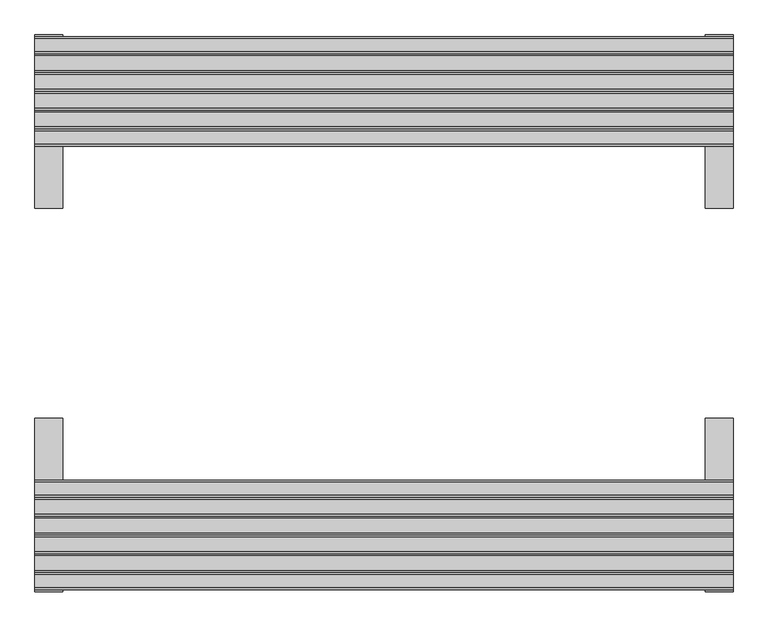
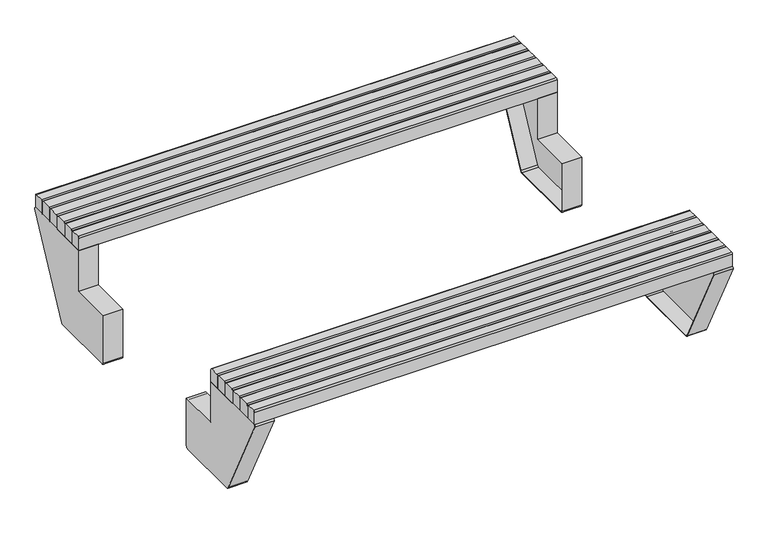
"""IFC4 building model written with IfcOpenShell, lengths in millimetres: furniture geometry."""

import ifcopenshell
import ifcopenshell.guid

model = None  # the IFC model being written
_history = None  # IfcOwnerHistory: only IFC2X3 demands one
_inside = {}  # id of a spatial element -> (the spatial element, [elements in it])
_under = {}  # id of a project, library or spatial element -> (it, [spatial elements below it])
_declared = {}  # id of a project -> (the project, [libraries it declares])
_typed = {}  # id of a type object -> (the type object, [elements of that type])
_made_of = {}  # id of a material, layer set ... -> (it, [elements and type objects made of it])


def new_model(schema):
    """Start an empty IFC model of exactly this schema.

    Asked for "IFC4X3", IfcOpenShell would pick the latest addendum, in which some entities
    have other attributes; the version numbers below select the first issue.
    IFC2X3 requires an IfcOwnerHistory on every rooted entity: one is made here for all.
    """
    global model, _history
    if schema == "IFC4X3":
        model = ifcopenshell.file(schema_version=(4, 3, 0, 0))
    else:
        model = ifcopenshell.file(schema=schema)
    _inside.clear()
    _under.clear()
    _declared.clear()
    _typed.clear()
    _made_of.clear()
    _history = None
    if model.schema == "IFC2X3":
        org = make("IfcOrganization", Name="unknown")
        user = make(
            "IfcPersonAndOrganization",
            ThePerson=make("IfcPerson", FamilyName="unknown"),
            TheOrganization=org,
        )
        app = make(
            "IfcApplication",
            ApplicationDeveloper=org,
            Version="unknown",
            ApplicationFullName="unknown",
            ApplicationIdentifier="unknown",
        )
        _history = make(
            "IfcOwnerHistory",
            OwningUser=user,
            OwningApplication=app,
            ChangeAction="ADDED",
            CreationDate=0,
        )
    return model


def make(cls, **values):
    """One entity of the class cls with the attributes given. An attribute that is None is left unset."""
    return model.create_entity(
        cls, **{name: value for name, value in values.items() if value is not None}
    )


def rooted(cls, **values):
    """An entity with a GlobalId (a new one), such as an element, a storey or a relation."""
    return make(cls, GlobalId=ifcopenshell.guid.new(), OwnerHistory=_history, **values)


def si_unit(unit_type, name, prefix=None):
    """IfcSIUnit, for example si_unit("LENGTHUNIT", "METRE", prefix="MILLI")."""
    return make("IfcSIUnit", UnitType=unit_type, Prefix=prefix, Name=name)


def assignment(units):
    """IfcUnitAssignment: the units of a project."""
    return None if units is None else make("IfcUnitAssignment", Units=units)


def point(xyz):
    """IfcCartesianPoint."""
    return None if xyz is None else make("IfcCartesianPoint", Coordinates=xyz)


def direction(xyz):
    """IfcDirection."""
    return None if xyz is None else make("IfcDirection", DirectionRatios=xyz)


def frame(location, z_axis=None, x_axis=None):
    """IfcAxis2Placement3D, a coordinate frame: its origin and axes. An axis left out is left unset."""
    return make(
        "IfcAxis2Placement3D",
        Location=point(location),
        Axis=direction(z_axis),
        RefDirection=direction(x_axis),
    )


def frame_2d(location, x_axis=None):
    """IfcAxis2Placement2D, a coordinate frame in the plane: its origin and x axis."""
    return make(
        "IfcAxis2Placement2D", Location=point(location), RefDirection=direction(x_axis)
    )


def origin():
    """The frame at (0, 0, 0) with its axes left unset."""
    return frame((0.0, 0.0, 0.0))


def place(relative_to, where):
    """IfcLocalPlacement: puts the frame where relative to a parent placement (None: the world)."""
    return make(
        "IfcLocalPlacement", PlacementRelTo=relative_to, RelativePlacement=where
    )


def context(
    kind, dimensions, precision=None, world=None, true_north=None, identifier=None
):
    """IfcGeometricRepresentationContext, for example the 3D "Model" context."""
    return make(
        "IfcGeometricRepresentationContext",
        ContextIdentifier=identifier,
        ContextType=kind,
        CoordinateSpaceDimension=dimensions,
        Precision=precision,
        WorldCoordinateSystem=world,
        TrueNorth=true_north,
    )


def project(units=None, contexts=None):
    """IfcProject with its units and contexts."""
    return rooted(
        "IfcProject",
        Name="project",
        RepresentationContexts=contexts,
        UnitsInContext=assignment(units),
    )


def spatial(cls, under=None, at=None, **own):
    """A site, building, storey or space (cls), placed at a placement, below another one or the project."""
    s = rooted(cls, ObjectPlacement=at, **own)
    if under is not None:
        _under.setdefault(under.id(), (under, []))[1].append(s)
    return s


def polyline(points):
    """IfcPolyline through the points."""
    return make("IfcPolyline", Points=[point(p) for p in points])


def circle_curve(where, radius):
    """IfcCircle in the frame where."""
    return make("IfcCircle", Position=where, Radius=radius)


def trimmed(basis, trim1, trim2, sense, master):
    """IfcTrimmedCurve: the piece of a basis curve between two trims."""
    return make(
        "IfcTrimmedCurve",
        BasisCurve=basis,
        Trim1=trim1,
        Trim2=trim2,
        SenseAgreement=sense,
        MasterRepresentation=master,
    )


def segment(curve, same_sense, transition):
    """IfcCompositeCurveSegment."""
    return make(
        "IfcCompositeCurveSegment",
        Transition=transition,
        SameSense=same_sense,
        ParentCurve=curve,
    )


def composite_curve(segments, self_intersect=None):
    """IfcCompositeCurve: segments joined end to end."""
    return make("IfcCompositeCurve", Segments=segments, SelfIntersect=self_intersect)


def outline(outer, holes=None, kind="AREA"):
    """IfcArbitraryClosedProfileDef: a profile drawn as a closed curve; with holes, ...WithVoids."""
    if holes is None:
        return make("IfcArbitraryClosedProfileDef", ProfileType=kind, OuterCurve=outer)
    return make(
        "IfcArbitraryProfileDefWithVoids",
        ProfileType=kind,
        OuterCurve=outer,
        InnerCurves=holes,
    )


def extrude(swept, where, along, depth):
    """IfcExtrudedAreaSolid: the profile swept, set in the frame where, extruded along a direction by depth."""
    return make(
        "IfcExtrudedAreaSolid",
        SweptArea=swept,
        Position=where,
        ExtrudedDirection=direction(along),
        Depth=depth,
    )


def shape(context_of_items, identifier, shape_type, items):
    """IfcShapeRepresentation: the items that make up one representation, for example the "Body"."""
    return make(
        "IfcShapeRepresentation",
        ContextOfItems=context_of_items,
        RepresentationIdentifier=identifier,
        RepresentationType=shape_type,
        Items=items,
    )


def source(mapping_origin, context_of_items, identifier, shape_type, items):
    """IfcRepresentationMap: a shape defined once, which mapped items show again and again."""
    return make(
        "IfcRepresentationMap",
        MappingOrigin=mapping_origin,
        MappedRepresentation=shape(context_of_items, identifier, shape_type, items),
    )


def transform(
    local_origin,
    x_axis=None,
    y_axis=None,
    z_axis=None,
    scale=None,
    scale2=None,
    scale3=None,
    uniform=True,
):
    """IfcCartesianTransformationOperator3D, or its non-uniform kind. x_axis, y_axis, z_axis: its Axis1, 2, 3."""
    if uniform:
        return make(
            "IfcCartesianTransformationOperator3D",
            Axis1=direction(x_axis),
            Axis2=direction(y_axis),
            LocalOrigin=point(local_origin),
            Scale=scale,
            Axis3=direction(z_axis),
        )
    return make(
        "IfcCartesianTransformationOperator3DnonUniform",
        Axis1=direction(x_axis),
        Axis2=direction(y_axis),
        LocalOrigin=point(local_origin),
        Scale=scale,
        Axis3=direction(z_axis),
        Scale2=scale2,
        Scale3=scale3,
    )


def mapped(mapping_source, mapping_target):
    """IfcMappedItem: shows the shape of a source again, moved by a transform."""
    return make(
        "IfcMappedItem", MappingSource=mapping_source, MappingTarget=mapping_target
    )


def made_of(thing, what):
    """Note that an element or type object is made of a material, layer set ...; save() writes the relation."""
    if what is not None:
        _made_of.setdefault(what.id(), (what, []))[1].append(thing)
    return thing


def element(
    cls,
    number,
    at=None,
    inside=None,
    cuts=None,
    type_object=None,
    material=None,
    context=None,
    identifier="Body",
    shape_type=None,
    held_by="IfcProductDefinitionShape",
    body=None,
    shapes=None,
    **own,
):
    """One element of the class cls, such as IfcWall. Its Tag is "e" and its number.

    at: its placement. inside: the storey or other place that contains it. cuts: it is an
    opening in that element (IfcRelVoidsElement). A single representation is given by context,
    identifier, shape_type and body (its items); several are given by shapes. held_by: the class
    of the entity that holds the representations. save() writes the other relations.
    """
    e = rooted(cls, Tag="e%d" % number, ObjectPlacement=at, **own)
    if body is not None:
        shapes = [shape(context, identifier, shape_type, body)]
    if shapes is not None:
        e.Representation = make(held_by, Representations=shapes)
    if inside is not None:
        _inside.setdefault(inside.id(), (inside, []))[1].append(e)
    if cuts is not None:
        rooted(
            "IfcRelVoidsElement", RelatingBuildingElement=cuts, RelatedOpeningElement=e
        )
    if type_object is not None:
        _typed.setdefault(type_object.id(), (type_object, []))[1].append(e)
    return made_of(e, material)


def aggregate(whole, parts):
    """IfcRelAggregates: a whole, such as a stair, and the parts it consists of."""
    return rooted("IfcRelAggregates", RelatingObject=whole, RelatedObjects=parts)


def save(model, path):
    """Write the relations noted so far, then the file.

    IfcRelAggregates (storeys below a building ...), IfcRelContainedInSpatialStructure (elements
    in a storey), IfcRelDefinesByType, IfcRelAssociatesMaterial and IfcRelDeclares: one each for
    every whole, place, type object, material and project.
    """
    for whole, parts in _under.values():
        aggregate(whole, parts)
    for where, things in _inside.values():
        rooted(
            "IfcRelContainedInSpatialStructure",
            RelatedElements=things,
            RelatingStructure=where,
        )
    for kind, things in _typed.values():
        rooted("IfcRelDefinesByType", RelatedObjects=things, RelatingType=kind)
    for what, things in _made_of.values():
        rooted("IfcRelAssociatesMaterial", RelatedObjects=things, RelatingMaterial=what)
    for by, libraries in _declared.values():
        rooted("IfcRelDeclares", RelatingContext=by, RelatedDefinitions=libraries)
    model.write(path)


def plane_surface(at):
    """IfcPlane: the flat surface through the origin of the frame at, square to its z axis."""
    return make("IfcPlane", Position=at)


def cylinder_surface(at, radius):
    """IfcCylindricalSurface: all points at the distance radius from the z axis of the frame at."""
    return make("IfcCylindricalSurface", Position=at, Radius=radius)


def revolved_surface(curve, axis_point, axis_direction):
    """IfcSurfaceOfRevolution: the curve turned about the line through axis_point along axis_direction."""
    return make(
        "IfcSurfaceOfRevolution",
        SweptCurve=make("IfcArbitraryOpenProfileDef", ProfileType="CURVE", Curve=curve),
        AxisPosition=make("IfcAxis1Placement", Location=point(axis_point), Axis=direction(axis_direction)),
    )


def advanced_brep(points, edges, surfaces, faces):
    """IfcAdvancedBrep: a solid bounded by faces that lie on surfaces and meet in shared edges.

    An edge is (start, end): straight between two places in points (the first is 0);
    or (start, end, curve); or (start, end, curve, False) where it runs against its curve.
    A face is (place in surfaces, loops), or (place, loops, False) where it looks against
    its surface's normal. A loop lists edges by number (the first is 1), with a minus sign
    where the edge is run from its end to its start. The first loop is the outer one.
    """
    corners = [point(p) for p in points]
    vertices = [make("IfcVertexPoint", VertexGeometry=c) for c in corners]
    made = []
    for start, end, *more in edges:
        made.append(
            make(
                "IfcEdgeCurve",
                EdgeStart=vertices[start],
                EdgeEnd=vertices[end],
                EdgeGeometry=more[0] if more else make("IfcPolyline", Points=[corners[start], corners[end]]),
                SameSense=more[1] if len(more) > 1 else True,
            )
        )
    hull = []
    for where, loops, *sense in faces:
        bounds = []
        for j, loop in enumerate(loops):
            ring = [make("IfcOrientedEdge", EdgeElement=made[abs(k) - 1], Orientation=k > 0) for k in loop]
            bounds.append(
                make(
                    "IfcFaceOuterBound" if j == 0 else "IfcFaceBound",
                    Bound=make("IfcEdgeLoop", EdgeList=ring),
                    Orientation=True,
                )
            )
        hull.append(make("IfcAdvancedFace", Bounds=bounds, FaceSurface=surfaces[where], SameSense=sense[0] if sense else True))
    return make("IfcAdvancedBrep", Outer=make("IfcClosedShell", CfsFaces=hull))


def furniture_3364fe05(model_context):
    return source(origin(), model_context, "Body", "SolidModel", [
        advanced_brep(
        [(-920.0000032, 478.4999944, 219.999998), (-920.0000032, 300.4999945, 219.999998), (-920.0000032, 300.4999945, 10.0), (-920.0000032, 310.4999945, 0.0), (-920.0000032, 593.821619, 0.0), (-920.0000032, 602.761278, 5.5186501), (-920.0000032, 796.8806496, 392.7593281), (-920.0000032, 792.4108201, 400.0000031), (-920.0000032, 478.4999944, 400.0000031), (-920.0000032, 481.9999988, 216.9999995), (-920.0000032, 481.9999988, 387.0000045), (-920.0000032, 491.9999988, 397.0000045), (-920.0000032, 787.2536405, 397.0000045), (-920.0000032, 791.72347, 389.7593295), (-920.0000032, 600.6118298, 8.5186501), (-920.0000032, 591.6721708, 3.0), (-920.0000032, 313.4999931, 3.0), (-920.0000032, 303.4999931, 13.0), (-920.0000032, 303.4999931, 206.9999995), (-920.0000032, 313.4999931, 216.9999995), (-1000.0000075, 478.4999944, 219.999998), (-1000.0000075, 478.4999944, 400.0000031), (-1000.0000075, 792.4108201, 400.0000031), (-1000.0000075, 796.8806496, 392.7593281), (-1000.0000075, 602.761278, 5.5186501), (-1000.0000075, 593.821619, 0.0), (-1000.0000075, 310.4999945, 0.0), (-1000.0000075, 300.4999945, 10.0), (-1000.0000075, 300.4999945, 219.999998), (-989.0000078, 481.9999988, 216.9999995), (-989.0000078, 313.4999931, 216.9999995), (-989.0000078, 303.4999931, 206.9999995), (-989.0000078, 303.4999931, 13.0), (-989.0000078, 313.4999931, 3.0), (-989.0000078, 591.6721708, 3.0), (-989.0000078, 600.6118298, 8.5186501), (-989.0000078, 791.72347, 389.7593295), (-989.0000078, 787.2536405, 397.0000045), (-989.0000078, 491.9999988, 397.0000045), (-989.0000078, 481.9999988, 387.0000045)],
        [
            (0, 1),
            (1, 2),
            (2, 3, circle_curve(frame((-920.0000032, 310.4999945, 10.0), z_axis=(1.0, 0.0, 0.0), x_axis=(0.0, 1.0, 0.0)), 10.0)),
            (3, 4),
            (4, 5, circle_curve(frame((-920.0000032, 593.821619, 10.0), z_axis=(1.0, 0.0, 0.0), x_axis=(0.0, 1.0, 0.0)), 10.0)),
            (5, 6),
            (6, 7, circle_curve(frame((-920.0000032, 792.4108201, 395.0000031), z_axis=(1.0, 0.0, 0.0), x_axis=(0.0, 1.0, 0.0)), 5.0)),
            (7, 8),
            (8, 0),
            (9, 10),
            (10, 11, circle_curve(frame((-920.0000032, 491.9999988, 387.0000045), z_axis=(-1.0, 0.0, 0.0), x_axis=(0.0, 1.0, 0.0)), 10.0)),
            (11, 12),
            (12, 13, circle_curve(frame((-920.0000032, 787.2536405, 392.0000045), z_axis=(-1.0, 0.0, 0.0), x_axis=(0.0, 1.0, 0.0)), 5.0)),
            (13, 14),
            (14, 15, circle_curve(frame((-920.0000032, 591.6721708, 13.0), z_axis=(-1.0, 0.0, 0.0), x_axis=(0.0, 1.0, 0.0)), 10.0)),
            (15, 16),
            (16, 17, circle_curve(frame((-920.0000032, 313.4999931, 13.0), z_axis=(-1.0, 0.0, 0.0), x_axis=(0.0, 1.0, 0.0)), 10.0)),
            (17, 18),
            (18, 19, circle_curve(frame((-920.0000032, 313.4999931, 206.9999995), z_axis=(-1.0, 0.0, 0.0), x_axis=(0.0, 1.0, 0.0)), 10.0)),
            (19, 9),
            (20, 21),
            (21, 22),
            (22, 23, circle_curve(frame((-1000.0000075, 792.4108201, 395.0000031), z_axis=(-1.0, 0.0, 0.0), x_axis=(0.0, 1.0, 0.0)), 5.0)),
            (23, 24),
            (24, 25, circle_curve(frame((-1000.0000075, 593.821619, 10.0), z_axis=(-1.0, 0.0, 0.0), x_axis=(0.0, 1.0, 0.0)), 10.0)),
            (25, 26),
            (26, 27, circle_curve(frame((-1000.0000075, 310.4999945, 10.0), z_axis=(-1.0, 0.0, 0.0), x_axis=(0.0, 1.0, 0.0)), 10.0)),
            (27, 28),
            (28, 20),
            (8, 21),
            (20, 0),
            (7, 22),
            (5, 24),
            (23, 6),
            (3, 26),
            (25, 4),
            (1, 28),
            (27, 2),
            (29, 30),
            (30, 31, circle_curve(frame((-989.0000078, 313.4999931, 206.9999995), z_axis=(1.0, 0.0, 0.0), x_axis=(0.0, 1.0, 0.0)), 10.0)),
            (31, 32),
            (32, 33, circle_curve(frame((-989.0000078, 313.4999931, 13.0), z_axis=(1.0, 0.0, 0.0), x_axis=(0.0, 1.0, 0.0)), 10.0)),
            (33, 34),
            (34, 35, circle_curve(frame((-989.0000078, 591.6721708, 13.0), z_axis=(1.0, 0.0, 0.0), x_axis=(0.0, 1.0, 0.0)), 10.0)),
            (35, 36),
            (36, 37, circle_curve(frame((-989.0000078, 787.2536405, 392.0000045), z_axis=(1.0, 0.0, 0.0), x_axis=(0.0, 1.0, 0.0)), 5.0)),
            (37, 38),
            (38, 39, circle_curve(frame((-989.0000078, 491.9999988, 387.0000045), z_axis=(1.0, 0.0, 0.0), x_axis=(0.0, 1.0, 0.0)), 10.0)),
            (39, 29),
            (39, 10),
            (9, 29),
            (37, 12),
            (11, 38),
            (35, 14),
            (13, 36),
            (33, 16),
            (15, 34),
            (31, 18),
            (17, 32),
            (19, 30),
        ],
        [
            plane_surface(frame((-920.0000032, 479.0000002, 219.999998), z_axis=(1.0, 0.0, 0.0), x_axis=(0.0, -1.0, 0.0))),
            plane_surface(frame((-1000.0000075, 479.0000002, 219.999998), z_axis=(-1.0, 0.0, 0.0), x_axis=(0.0, 1.0, 0.0))),
            plane_surface(frame((-920.0000032, 478.4999944, 400.0000031), z_axis=(0.0, -1.0, 0.0), x_axis=(-1.0, 0.0, 0.0))),
            plane_surface(frame((-920.0000032, 792.4108201, 400.0000031), z_axis=(0.0, 0.0, 1.0), x_axis=(-1.0, 0.0, 0.0))),
            plane_surface(frame((-920.0000032, 602.761278, 5.5186501), z_axis=(0.0, 0.8939658987782385, -0.4481349928555192), x_axis=(-1.0, 0.0, 0.0))),
            plane_surface(frame((-920.0000032, 310.4999945, 0.0), z_axis=(0.0, 0.0, -1.0), x_axis=(-1.0, 0.0, 0.0))),
            plane_surface(frame((-920.0000032, 300.4999945, 219.999998), z_axis=(0.0, -1.0, 0.0), x_axis=(-1.0, 0.0, 0.0))),
            plane_surface(frame((-920.0000032, 478.4999944, 219.999998), z_axis=(0.0, 0.0, 1.0), x_axis=(-1.0, 0.0, 0.0))),
            cylinder_surface(frame((-1000.0000075, 593.821619, 10.0), z_axis=(1.0, 0.0, 0.0), x_axis=(0.0, 1.0, 0.0)), 10.0),
            cylinder_surface(frame((-1000.0000075, 310.4999945, 10.0), z_axis=(1.0, 0.0, 0.0), x_axis=(0.0, 1.0, 0.0)), 10.0),
            cylinder_surface(frame((-1000.0000075, 792.4108201, 395.0000031), z_axis=(1.0, 0.0, 0.0), x_axis=(0.0, 1.0, 0.0)), 5.0),
            plane_surface(frame((-989.0000078, 479.0000002, 216.9999995), z_axis=(1.0, 0.0, 0.0), x_axis=(0.0, 1.0, 0.0))),
            plane_surface(frame((-870.549899, 481.9999988, 387.0000045), z_axis=(0.0, 1.0, 0.0), x_axis=(-1.0, 0.0, 0.0))),
            plane_surface(frame((-870.549899, 787.2536405, 397.0000045), z_axis=(0.0, 0.0, -1.0), x_axis=(-1.0, 0.0, 0.0))),
            plane_surface(frame((-870.549899, 600.6118298, 8.5186501), z_axis=(0.0, -0.8939658987782386, 0.4481349928555192), x_axis=(-1.0, 0.0, 0.0))),
            plane_surface(frame((-870.549899, 313.4999931, 3.0), z_axis=(0.0, 0.0, 1.0), x_axis=(-1.0, 0.0, 0.0))),
            plane_surface(frame((-870.549899, 303.4999931, 206.9999995), z_axis=(0.0, 1.0, 0.0), x_axis=(-1.0, 0.0, 0.0))),
            plane_surface(frame((-870.549899, 481.9999988, 216.9999995), z_axis=(0.0, 0.0, -1.0), x_axis=(-1.0, 0.0, 0.0))),
            revolved_surface(polyline([(-920.0000032, 601.6721708, 13.0), (-989.0000078, 601.6721708, 13.0)]), (-989.0000078, 591.6721708, 13.0), (1.0, 0.0, 0.0)),
            revolved_surface(polyline([(-920.0000032, 323.4999931, 13.0), (-989.0000078, 323.4999931, 13.0)]), (-989.0000078, 313.4999931, 13.0), (1.0, 0.0, 0.0)),
            revolved_surface(polyline([(-920.0000032, 792.2536405, 392.0000045), (-989.0000078, 792.2536405, 392.0000045)]), (-989.0000078, 787.2536405, 392.0000045), (1.0, 0.0, 0.0)),
            revolved_surface(polyline([(-920.0000032, 323.4999931, 206.9999995), (-989.0000078, 323.4999931, 206.9999995)]), (-989.0000078, 313.4999931, 206.9999995), (1.0, 0.0, 0.0)),
            revolved_surface(polyline([(-920.0000032, 501.9999988, 387.0000045), (-989.0000078, 501.9999988, 387.0000045)]), (-989.0000078, 491.9999988, 387.0000045), (1.0, 0.0, 0.0)),
        ],
        [
            (0, [[1, 2, 3, 4, 5, 6, 7, 8, 9], [10, 11, 12, 13, 14, 15, 16, 17, 18, 19, 20]]),
            (1, [[21, 22, 23, 24, 25, 26, 27, 28, 29]]),
            (2, [[-9, 30, -21, 31]]),
            (3, [[-8, 32, -22, -30]]),
            (4, [[-6, 33, -24, 34]]),
            (5, [[-4, 35, -26, 36]]),
            (6, [[-2, 37, -28, 38]]),
            (7, [[-1, -31, -29, -37]]),
            (8, [[-5, -36, -25, -33]]),
            (9, [[-3, -38, -27, -35]]),
            (10, [[-7, -34, -23, -32]]),
            (11, [[39, 40, 41, 42, 43, 44, 45, 46, 47, 48, 49]]),
            (12, [[-49, 50, -10, 51]]),
            (13, [[-47, 52, -12, 53]]),
            (14, [[-45, 54, -14, 55]]),
            (15, [[-43, 56, -16, 57]]),
            (16, [[-41, 58, -18, 59]]),
            (17, [[-39, -51, -20, 60]]),
            (18, [[-44, -57, -15, -54]]),
            (19, [[-42, -59, -17, -56]]),
            (20, [[-46, -55, -13, -52]]),
            (21, [[-40, -60, -19, -58]]),
            (22, [[-48, -53, -11, -50]]),
        ],
    ),
        advanced_brep(
        [(920.0000032, 478.4999944, 219.999998), (920.0000032, 478.4999944, 400.0000031), (920.0000032, 792.4108201, 400.0000031), (920.0000032, 796.8806496, 392.7593281), (920.0000032, 602.761278, 5.5186501), (920.0000032, 593.821619, 0.0), (920.0000032, 310.4999945, 0.0), (920.0000032, 300.4999945, 10.0), (920.0000032, 300.4999945, 219.999998), (920.0000032, 481.9999988, 387.0000045), (920.0000032, 481.9999988, 216.9999995), (920.0000032, 313.4999931, 216.9999995), (920.0000032, 303.4999931, 206.9999995), (920.0000032, 303.4999931, 13.0), (920.0000032, 313.4999931, 3.0), (920.0000032, 591.6721708, 3.0), (920.0000032, 600.6118298, 8.5186501), (920.0000032, 791.72347, 389.7593295), (920.0000032, 787.2536405, 397.0000045), (920.0000032, 491.9999988, 397.0000045), (1000.0000075, 478.4999944, 219.999998), (1000.0000075, 300.4999945, 219.999998), (1000.0000075, 300.4999945, 10.0), (1000.0000075, 310.4999945, 0.0), (1000.0000075, 593.821619, 0.0), (1000.0000075, 602.761278, 5.5186501), (1000.0000075, 796.8806496, 392.7593281), (1000.0000075, 792.4108201, 400.0000031), (1000.0000075, 478.4999944, 400.0000031), (989.0000078, 481.9999988, 216.9999995), (989.0000078, 481.9999988, 387.0000045), (989.0000078, 491.9999988, 397.0000045), (989.0000078, 787.2536405, 397.0000045), (989.0000078, 791.72347, 389.7593295), (989.0000078, 600.6118298, 8.5186501), (989.0000078, 591.6721708, 3.0), (989.0000078, 313.4999931, 3.0), (989.0000078, 303.4999931, 13.0), (989.0000078, 303.4999931, 206.9999995), (989.0000078, 313.4999931, 216.9999995)],
        [
            (0, 1),
            (1, 2),
            (2, 3, circle_curve(frame((920.0000032, 792.4108201, 395.0000031), z_axis=(-1.0, 0.0, 0.0), x_axis=(0.0, 1.0, 0.0)), 5.0)),
            (3, 4),
            (4, 5, circle_curve(frame((920.0000032, 593.821619, 10.0), z_axis=(-1.0, 0.0, 0.0), x_axis=(0.0, 1.0, 0.0)), 10.0)),
            (5, 6),
            (6, 7, circle_curve(frame((920.0000032, 310.4999945, 10.0), z_axis=(-1.0, 0.0, 0.0), x_axis=(0.0, 1.0, 0.0)), 10.0)),
            (7, 8),
            (8, 0),
            (9, 10),
            (10, 11),
            (11, 12, circle_curve(frame((920.0000032, 313.4999931, 206.9999995), z_axis=(1.0, 0.0, 0.0), x_axis=(0.0, 1.0, 0.0)), 10.0)),
            (12, 13),
            (13, 14, circle_curve(frame((920.0000032, 313.4999931, 13.0), z_axis=(1.0, 0.0, 0.0), x_axis=(0.0, 1.0, 0.0)), 10.0)),
            (14, 15),
            (15, 16, circle_curve(frame((920.0000032, 591.6721708, 13.0), z_axis=(1.0, 0.0, 0.0), x_axis=(0.0, 1.0, 0.0)), 10.0)),
            (16, 17),
            (17, 18, circle_curve(frame((920.0000032, 787.2536405, 392.0000045), z_axis=(1.0, 0.0, 0.0), x_axis=(0.0, 1.0, 0.0)), 5.0)),
            (18, 19),
            (19, 9, circle_curve(frame((920.0000032, 491.9999988, 387.0000045), z_axis=(1.0, 0.0, 0.0), x_axis=(0.0, 1.0, 0.0)), 10.0)),
            (20, 21),
            (21, 22),
            (22, 23, circle_curve(frame((1000.0000075, 310.4999945, 10.0), z_axis=(1.0, 0.0, 0.0), x_axis=(0.0, 1.0, 0.0)), 10.0)),
            (23, 24),
            (24, 25, circle_curve(frame((1000.0000075, 593.821619, 10.0), z_axis=(1.0, 0.0, 0.0), x_axis=(0.0, 1.0, 0.0)), 10.0)),
            (25, 26),
            (26, 27, circle_curve(frame((1000.0000075, 792.4108201, 395.0000031), z_axis=(1.0, 0.0, 0.0), x_axis=(0.0, 1.0, 0.0)), 5.0)),
            (27, 28),
            (28, 20),
            (0, 20),
            (28, 1),
            (27, 2),
            (3, 26),
            (25, 4),
            (5, 24),
            (23, 6),
            (7, 22),
            (21, 8),
            (29, 30),
            (30, 31, circle_curve(frame((989.0000078, 491.9999988, 387.0000045), z_axis=(-1.0, 0.0, 0.0), x_axis=(0.0, 1.0, 0.0)), 10.0)),
            (31, 32),
            (32, 33, circle_curve(frame((989.0000078, 787.2536405, 392.0000045), z_axis=(-1.0, 0.0, 0.0), x_axis=(0.0, 1.0, 0.0)), 5.0)),
            (33, 34),
            (34, 35, circle_curve(frame((989.0000078, 591.6721708, 13.0), z_axis=(-1.0, 0.0, 0.0), x_axis=(0.0, 1.0, 0.0)), 10.0)),
            (35, 36),
            (36, 37, circle_curve(frame((989.0000078, 313.4999931, 13.0), z_axis=(-1.0, 0.0, 0.0), x_axis=(0.0, 1.0, 0.0)), 10.0)),
            (37, 38),
            (38, 39, circle_curve(frame((989.0000078, 313.4999931, 206.9999995), z_axis=(-1.0, 0.0, 0.0), x_axis=(0.0, 1.0, 0.0)), 10.0)),
            (39, 29),
            (29, 10),
            (9, 30),
            (31, 19),
            (18, 32),
            (33, 17),
            (16, 34),
            (35, 15),
            (14, 36),
            (37, 13),
            (12, 38),
            (39, 11),
        ],
        [
            plane_surface(frame((920.0000032, 478.4999944, 391.9999826), z_axis=(-1.0, 0.0, 0.0), x_axis=(0.0, 0.0, 1.0))),
            plane_surface(frame((1000.0000075, 478.4999944, 391.9999826), z_axis=(1.0, 0.0, 0.0), x_axis=(0.0, 0.0, -1.0))),
            plane_surface(frame((920.0000032, 478.4999944, 219.999998), z_axis=(0.0, -1.0, 0.0), x_axis=(1.0, 0.0, 0.0))),
            plane_surface(frame((920.0000032, 478.4999944, 400.0000031), z_axis=(0.0, 0.0, 1.0), x_axis=(1.0, 0.0, 0.0))),
            plane_surface(frame((920.0000032, 796.8806496, 392.7593281), z_axis=(0.0, 0.8939658987782385, -0.4481349928555192), x_axis=(1.0, 0.0, 0.0))),
            plane_surface(frame((920.0000032, 593.821619, 0.0), z_axis=(0.0, 0.0, -1.0), x_axis=(1.0, 0.0, 0.0))),
            plane_surface(frame((920.0000032, 300.4999945, 10.0), z_axis=(0.0, -1.0, 0.0), x_axis=(1.0, 0.0, 0.0))),
            plane_surface(frame((920.0000032, 300.4999945, 219.999998), z_axis=(0.0, 0.0, 1.0), x_axis=(1.0, 0.0, 0.0))),
            cylinder_surface(frame((1000.0000075, 593.821619, 10.0), z_axis=(-1.0, 0.0, 0.0), x_axis=(0.0, 1.0, 0.0)), 10.0),
            cylinder_surface(frame((1000.0000075, 310.4999945, 10.0), z_axis=(-1.0, 0.0, 0.0), x_axis=(0.0, 1.0, 0.0)), 10.0),
            cylinder_surface(frame((1000.0000075, 792.4108201, 395.0000031), z_axis=(-1.0, 0.0, 0.0), x_axis=(0.0, 1.0, 0.0)), 5.0),
            plane_surface(frame((989.0000078, 481.9999988, 391.9999826), z_axis=(-1.0, 0.0, 0.0), x_axis=(0.0, 0.0, -1.0))),
            plane_surface(frame((870.549899, 481.9999988, 216.9999995), z_axis=(0.0, 1.0, 0.0), x_axis=(1.0, 0.0, 0.0))),
            plane_surface(frame((870.549899, 491.9999988, 397.0000045), z_axis=(0.0, 0.0, -1.0), x_axis=(1.0, 0.0, 0.0))),
            plane_surface(frame((870.549899, 791.72347, 389.7593295), z_axis=(0.0, -0.8939658987782386, 0.4481349928555192), x_axis=(1.0, 0.0, 0.0))),
            plane_surface(frame((870.549899, 591.6721708, 3.0), z_axis=(0.0, 0.0, 1.0), x_axis=(1.0, 0.0, 0.0))),
            plane_surface(frame((870.549899, 303.4999931, 13.0), z_axis=(0.0, 1.0, 0.0), x_axis=(1.0, 0.0, 0.0))),
            plane_surface(frame((870.549899, 313.4999931, 216.9999995), z_axis=(0.0, 0.0, -1.0), x_axis=(1.0, 0.0, 0.0))),
            revolved_surface(polyline([(920.0000032, 601.6721708, 13.0), (989.0000078, 601.6721708, 13.0)]), (989.0000078, 591.6721708, 13.0), (-1.0, 0.0, 0.0)),
            revolved_surface(polyline([(920.0000032, 323.4999931, 13.0), (989.0000078, 323.4999931, 13.0)]), (989.0000078, 313.4999931, 13.0), (-1.0, 0.0, 0.0)),
            revolved_surface(polyline([(920.0000032, 792.2536405, 392.0000045), (989.0000078, 792.2536405, 392.0000045)]), (989.0000078, 787.2536405, 392.0000045), (-1.0, 0.0, 0.0)),
            revolved_surface(polyline([(920.0000032, 323.4999931, 206.9999995), (989.0000078, 323.4999931, 206.9999995)]), (989.0000078, 313.4999931, 206.9999995), (-1.0, 0.0, 0.0)),
            revolved_surface(polyline([(920.0000032, 501.9999988, 387.0000045), (989.0000078, 501.9999988, 387.0000045)]), (989.0000078, 491.9999988, 387.0000045), (-1.0, 0.0, 0.0)),
        ],
        [
            (0, [[1, 2, 3, 4, 5, 6, 7, 8, 9], [10, 11, 12, 13, 14, 15, 16, 17, 18, 19, 20]]),
            (1, [[21, 22, 23, 24, 25, 26, 27, 28, 29]]),
            (2, [[-1, 30, -29, 31]]),
            (3, [[-2, -31, -28, 32]]),
            (4, [[-4, 33, -26, 34]]),
            (5, [[-6, 35, -24, 36]]),
            (6, [[-8, 37, -22, 38]]),
            (7, [[-9, -38, -21, -30]]),
            (8, [[-5, -34, -25, -35]]),
            (9, [[-7, -36, -23, -37]]),
            (10, [[-3, -32, -27, -33]]),
            (11, [[39, 40, 41, 42, 43, 44, 45, 46, 47, 48, 49]]),
            (12, [[-39, 50, -10, 51]]),
            (13, [[-41, 52, -19, 53]]),
            (14, [[-43, 54, -17, 55]]),
            (15, [[-45, 56, -15, 57]]),
            (16, [[-47, 58, -13, 59]]),
            (17, [[-49, 60, -11, -50]]),
            (18, [[-44, -55, -16, -56]]),
            (19, [[-46, -57, -14, -58]]),
            (20, [[-42, -53, -18, -54]]),
            (21, [[-48, -59, -12, -60]]),
            (22, [[-40, -51, -20, -52]]),
        ],
    ),
        advanced_brep(
        [(920.0000032, -478.4999944, 219.999998), (920.0000032, -300.4999945, 219.999998), (920.0000032, -300.4999945, 10.0), (920.0000032, -310.4999945, 0.0), (920.0000032, -593.821619, 0.0), (920.0000032, -602.761278, 5.5186501), (920.0000032, -796.8806496, 392.7593281), (920.0000032, -792.4108201, 400.0000031), (920.0000032, -478.4999944, 400.0000031), (920.0000032, -481.9999988, 216.9999995), (920.0000032, -481.9999988, 387.0000045), (920.0000032, -491.9999988, 397.0000045), (920.0000032, -787.2536405, 397.0000045), (920.0000032, -791.72347, 389.7593295), (920.0000032, -600.6118298, 8.5186501), (920.0000032, -591.6721708, 3.0), (920.0000032, -313.4999931, 3.0), (920.0000032, -303.4999931, 13.0), (920.0000032, -303.4999931, 206.9999995), (920.0000032, -313.4999931, 216.9999995), (1000.0000075, -478.4999944, 219.999998), (1000.0000075, -478.4999944, 400.0000031), (1000.0000075, -792.4108201, 400.0000031), (1000.0000075, -796.8806496, 392.7593281), (1000.0000075, -602.761278, 5.5186501), (1000.0000075, -593.821619, 0.0), (1000.0000075, -310.4999945, 0.0), (1000.0000075, -300.4999945, 10.0), (1000.0000075, -300.4999945, 219.999998), (989.0000078, -481.9999988, 216.9999995), (989.0000078, -313.4999931, 216.9999995), (989.0000078, -303.4999931, 206.9999995), (989.0000078, -303.4999931, 13.0), (989.0000078, -313.4999931, 3.0), (989.0000078, -591.6721708, 3.0), (989.0000078, -600.6118298, 8.5186501), (989.0000078, -791.72347, 389.7593295), (989.0000078, -787.2536405, 397.0000045), (989.0000078, -491.9999988, 397.0000045), (989.0000078, -481.9999988, 387.0000045)],
        [
            (0, 1),
            (1, 2),
            (2, 3, circle_curve(frame((920.0000032, -310.4999945, 10.0), z_axis=(-1.0, 0.0, 0.0), x_axis=(0.0, -1.0, 0.0)), 10.0)),
            (3, 4),
            (4, 5, circle_curve(frame((920.0000032, -593.821619, 10.0), z_axis=(-1.0, 0.0, 0.0), x_axis=(0.0, -1.0, 0.0)), 10.0)),
            (5, 6),
            (6, 7, circle_curve(frame((920.0000032, -792.4108201, 395.0000031), z_axis=(-1.0, 0.0, 0.0), x_axis=(0.0, -1.0, 0.0)), 5.0)),
            (7, 8),
            (8, 0),
            (9, 10),
            (10, 11, circle_curve(frame((920.0000032, -491.9999988, 387.0000045), z_axis=(1.0, 0.0, 0.0), x_axis=(0.0, -1.0, 0.0)), 10.0)),
            (11, 12),
            (12, 13, circle_curve(frame((920.0000032, -787.2536405, 392.0000045), z_axis=(1.0, 0.0, 0.0), x_axis=(0.0, -1.0, 0.0)), 5.0)),
            (13, 14),
            (14, 15, circle_curve(frame((920.0000032, -591.6721708, 13.0), z_axis=(1.0, 0.0, 0.0), x_axis=(0.0, -1.0, 0.0)), 10.0)),
            (15, 16),
            (16, 17, circle_curve(frame((920.0000032, -313.4999931, 13.0), z_axis=(1.0, 0.0, 0.0), x_axis=(0.0, -1.0, 0.0)), 10.0)),
            (17, 18),
            (18, 19, circle_curve(frame((920.0000032, -313.4999931, 206.9999995), z_axis=(1.0, 0.0, 0.0), x_axis=(0.0, -1.0, 0.0)), 10.0)),
            (19, 9),
            (20, 21),
            (21, 22),
            (22, 23, circle_curve(frame((1000.0000075, -792.4108201, 395.0000031), z_axis=(1.0, 0.0, 0.0), x_axis=(0.0, -1.0, 0.0)), 5.0)),
            (23, 24),
            (24, 25, circle_curve(frame((1000.0000075, -593.821619, 10.0), z_axis=(1.0, 0.0, 0.0), x_axis=(0.0, -1.0, 0.0)), 10.0)),
            (25, 26),
            (26, 27, circle_curve(frame((1000.0000075, -310.4999945, 10.0), z_axis=(1.0, 0.0, 0.0), x_axis=(0.0, -1.0, 0.0)), 10.0)),
            (27, 28),
            (28, 20),
            (8, 21),
            (20, 0),
            (7, 22),
            (5, 24),
            (23, 6),
            (3, 26),
            (25, 4),
            (1, 28),
            (27, 2),
            (29, 30),
            (30, 31, circle_curve(frame((989.0000078, -313.4999931, 206.9999995), z_axis=(-1.0, 0.0, 0.0), x_axis=(0.0, -1.0, 0.0)), 10.0)),
            (31, 32),
            (32, 33, circle_curve(frame((989.0000078, -313.4999931, 13.0), z_axis=(-1.0, 0.0, 0.0), x_axis=(0.0, -1.0, 0.0)), 10.0)),
            (33, 34),
            (34, 35, circle_curve(frame((989.0000078, -591.6721708, 13.0), z_axis=(-1.0, 0.0, 0.0), x_axis=(0.0, -1.0, 0.0)), 10.0)),
            (35, 36),
            (36, 37, circle_curve(frame((989.0000078, -787.2536405, 392.0000045), z_axis=(-1.0, 0.0, 0.0), x_axis=(0.0, -1.0, 0.0)), 5.0)),
            (37, 38),
            (38, 39, circle_curve(frame((989.0000078, -491.9999988, 387.0000045), z_axis=(-1.0, 0.0, 0.0), x_axis=(0.0, -1.0, 0.0)), 10.0)),
            (39, 29),
            (39, 10),
            (9, 29),
            (37, 12),
            (11, 38),
            (35, 14),
            (13, 36),
            (33, 16),
            (15, 34),
            (31, 18),
            (17, 32),
            (19, 30),
        ],
        [
            plane_surface(frame((920.0000032, -479.0000002, 219.999998), z_axis=(-1.0, 0.0, 0.0), x_axis=(0.0, 1.0, 0.0))),
            plane_surface(frame((1000.0000075, -479.0000002, 219.999998), z_axis=(1.0, 0.0, 0.0), x_axis=(0.0, -1.0, 0.0))),
            plane_surface(frame((920.0000032, -478.4999944, 400.0000031), z_axis=(0.0, 1.0, 0.0), x_axis=(1.0, 0.0, 0.0))),
            plane_surface(frame((920.0000032, -792.4108201, 400.0000031), z_axis=(0.0, 0.0, 1.0), x_axis=(1.0, 0.0, 0.0))),
            plane_surface(frame((920.0000032, -602.761278, 5.5186501), z_axis=(0.0, -0.8939658987782385, -0.4481349928555192), x_axis=(1.0, 0.0, 0.0))),
            plane_surface(frame((920.0000032, -310.4999945, 0.0), z_axis=(0.0, 0.0, -1.0), x_axis=(1.0, 0.0, 0.0))),
            plane_surface(frame((920.0000032, -300.4999945, 219.999998), z_axis=(0.0, 1.0, 0.0), x_axis=(1.0, 0.0, 0.0))),
            plane_surface(frame((920.0000032, -478.4999944, 219.999998), z_axis=(0.0, 0.0, 1.0), x_axis=(1.0, 0.0, 0.0))),
            cylinder_surface(frame((1000.0000075, -593.821619, 10.0), z_axis=(-1.0, 0.0, 0.0), x_axis=(0.0, -1.0, 0.0)), 10.0),
            cylinder_surface(frame((1000.0000075, -310.4999945, 10.0), z_axis=(-1.0, 0.0, 0.0), x_axis=(0.0, -1.0, 0.0)), 10.0),
            cylinder_surface(frame((1000.0000075, -792.4108201, 395.0000031), z_axis=(-1.0, 0.0, 0.0), x_axis=(0.0, -1.0, 0.0)), 5.0),
            plane_surface(frame((989.0000078, -479.0000002, 216.9999995), z_axis=(-1.0, 0.0, 0.0), x_axis=(0.0, -1.0, 0.0))),
            plane_surface(frame((870.549899, -481.9999988, 387.0000045), z_axis=(0.0, -1.0, 0.0), x_axis=(1.0, 0.0, 0.0))),
            plane_surface(frame((870.549899, -787.2536405, 397.0000045), z_axis=(0.0, 0.0, -1.0), x_axis=(1.0, 0.0, 0.0))),
            plane_surface(frame((870.549899, -600.6118298, 8.5186501), z_axis=(0.0, 0.8939658987782386, 0.4481349928555192), x_axis=(1.0, 0.0, 0.0))),
            plane_surface(frame((870.549899, -313.4999931, 3.0), z_axis=(0.0, 0.0, 1.0), x_axis=(1.0, 0.0, 0.0))),
            plane_surface(frame((870.549899, -303.4999931, 206.9999995), z_axis=(0.0, -1.0, 0.0), x_axis=(1.0, 0.0, 0.0))),
            plane_surface(frame((870.549899, -481.9999988, 216.9999995), z_axis=(0.0, 0.0, -1.0), x_axis=(1.0, 0.0, 0.0))),
            revolved_surface(polyline([(920.0000032, -601.6721708, 13.0), (989.0000078, -601.6721708, 13.0)]), (989.0000078, -591.6721708, 13.0), (-1.0, 0.0, 0.0)),
            revolved_surface(polyline([(920.0000032, -323.4999931, 13.0), (989.0000078, -323.4999931, 13.0)]), (989.0000078, -313.4999931, 13.0), (-1.0, 0.0, 0.0)),
            revolved_surface(polyline([(920.0000032, -792.2536405, 392.0000045), (989.0000078, -792.2536405, 392.0000045)]), (989.0000078, -787.2536405, 392.0000045), (-1.0, 0.0, 0.0)),
            revolved_surface(polyline([(920.0000032, -323.4999931, 206.9999995), (989.0000078, -323.4999931, 206.9999995)]), (989.0000078, -313.4999931, 206.9999995), (-1.0, 0.0, 0.0)),
            revolved_surface(polyline([(920.0000032, -501.9999988, 387.0000045), (989.0000078, -501.9999988, 387.0000045)]), (989.0000078, -491.9999988, 387.0000045), (-1.0, 0.0, 0.0)),
        ],
        [
            (0, [[1, 2, 3, 4, 5, 6, 7, 8, 9], [10, 11, 12, 13, 14, 15, 16, 17, 18, 19, 20]]),
            (1, [[21, 22, 23, 24, 25, 26, 27, 28, 29]]),
            (2, [[-9, 30, -21, 31]]),
            (3, [[-8, 32, -22, -30]]),
            (4, [[-6, 33, -24, 34]]),
            (5, [[-4, 35, -26, 36]]),
            (6, [[-2, 37, -28, 38]]),
            (7, [[-1, -31, -29, -37]]),
            (8, [[-5, -36, -25, -33]]),
            (9, [[-3, -38, -27, -35]]),
            (10, [[-7, -34, -23, -32]]),
            (11, [[39, 40, 41, 42, 43, 44, 45, 46, 47, 48, 49]]),
            (12, [[-49, 50, -10, 51]]),
            (13, [[-47, 52, -12, 53]]),
            (14, [[-45, 54, -14, 55]]),
            (15, [[-43, 56, -16, 57]]),
            (16, [[-41, 58, -18, 59]]),
            (17, [[-39, -51, -20, 60]]),
            (18, [[-44, -57, -15, -54]]),
            (19, [[-42, -59, -17, -56]]),
            (20, [[-46, -55, -13, -52]]),
            (21, [[-40, -60, -19, -58]]),
            (22, [[-48, -53, -11, -50]]),
        ],
    ),
        advanced_brep(
        [(-920.0000032, -478.4999944, 219.999998), (-920.0000032, -478.4999944, 400.0000031), (-920.0000032, -792.4108201, 400.0000031), (-920.0000032, -796.8806496, 392.7593281), (-920.0000032, -602.761278, 5.5186501), (-920.0000032, -593.821619, 0.0), (-920.0000032, -310.4999945, 0.0), (-920.0000032, -300.4999945, 10.0), (-920.0000032, -300.4999945, 219.999998), (-920.0000032, -481.9999988, 387.0000045), (-920.0000032, -481.9999988, 216.9999995), (-920.0000032, -313.4999931, 216.9999995), (-920.0000032, -303.4999931, 206.9999995), (-920.0000032, -303.4999931, 13.0), (-920.0000032, -313.4999931, 3.0), (-920.0000032, -591.6721708, 3.0), (-920.0000032, -600.6118298, 8.5186501), (-920.0000032, -791.72347, 389.7593295), (-920.0000032, -787.2536405, 397.0000045), (-920.0000032, -491.9999988, 397.0000045), (-1000.0000075, -478.4999944, 219.999998), (-1000.0000075, -300.4999945, 219.999998), (-1000.0000075, -300.4999945, 10.0), (-1000.0000075, -310.4999945, 0.0), (-1000.0000075, -593.821619, 0.0), (-1000.0000075, -602.761278, 5.5186501), (-1000.0000075, -796.8806496, 392.7593281), (-1000.0000075, -792.4108201, 400.0000031), (-1000.0000075, -478.4999944, 400.0000031), (-989.0000078, -481.9999988, 216.9999995), (-989.0000078, -481.9999988, 387.0000045), (-989.0000078, -491.9999988, 397.0000045), (-989.0000078, -787.2536405, 397.0000045), (-989.0000078, -791.72347, 389.7593295), (-989.0000078, -600.6118298, 8.5186501), (-989.0000078, -591.6721708, 3.0), (-989.0000078, -313.4999931, 3.0), (-989.0000078, -303.4999931, 13.0), (-989.0000078, -303.4999931, 206.9999995), (-989.0000078, -313.4999931, 216.9999995)],
        [
            (0, 1),
            (1, 2),
            (2, 3, circle_curve(frame((-920.0000032, -792.4108201, 395.0000031), z_axis=(1.0, 0.0, 0.0), x_axis=(0.0, -1.0, 0.0)), 5.0)),
            (3, 4),
            (4, 5, circle_curve(frame((-920.0000032, -593.821619, 10.0), z_axis=(1.0, 0.0, 0.0), x_axis=(0.0, -1.0, 0.0)), 10.0)),
            (5, 6),
            (6, 7, circle_curve(frame((-920.0000032, -310.4999945, 10.0), z_axis=(1.0, 0.0, 0.0), x_axis=(0.0, -1.0, 0.0)), 10.0)),
            (7, 8),
            (8, 0),
            (9, 10),
            (10, 11),
            (11, 12, circle_curve(frame((-920.0000032, -313.4999931, 206.9999995), z_axis=(-1.0, 0.0, 0.0), x_axis=(0.0, -1.0, 0.0)), 10.0)),
            (12, 13),
            (13, 14, circle_curve(frame((-920.0000032, -313.4999931, 13.0), z_axis=(-1.0, 0.0, 0.0), x_axis=(0.0, -1.0, 0.0)), 10.0)),
            (14, 15),
            (15, 16, circle_curve(frame((-920.0000032, -591.6721708, 13.0), z_axis=(-1.0, 0.0, 0.0), x_axis=(0.0, -1.0, 0.0)), 10.0)),
            (16, 17),
            (17, 18, circle_curve(frame((-920.0000032, -787.2536405, 392.0000045), z_axis=(-1.0, 0.0, 0.0), x_axis=(0.0, -1.0, 0.0)), 5.0)),
            (18, 19),
            (19, 9, circle_curve(frame((-920.0000032, -491.9999988, 387.0000045), z_axis=(-1.0, 0.0, 0.0), x_axis=(0.0, -1.0, 0.0)), 10.0)),
            (20, 21),
            (21, 22),
            (22, 23, circle_curve(frame((-1000.0000075, -310.4999945, 10.0), z_axis=(-1.0, 0.0, 0.0), x_axis=(0.0, -1.0, 0.0)), 10.0)),
            (23, 24),
            (24, 25, circle_curve(frame((-1000.0000075, -593.821619, 10.0), z_axis=(-1.0, 0.0, 0.0), x_axis=(0.0, -1.0, 0.0)), 10.0)),
            (25, 26),
            (26, 27, circle_curve(frame((-1000.0000075, -792.4108201, 395.0000031), z_axis=(-1.0, 0.0, 0.0), x_axis=(0.0, -1.0, 0.0)), 5.0)),
            (27, 28),
            (28, 20),
            (0, 20),
            (28, 1),
            (27, 2),
            (3, 26),
            (25, 4),
            (5, 24),
            (23, 6),
            (7, 22),
            (21, 8),
            (29, 30),
            (30, 31, circle_curve(frame((-989.0000078, -491.9999988, 387.0000045), z_axis=(1.0, 0.0, 0.0), x_axis=(0.0, -1.0, 0.0)), 10.0)),
            (31, 32),
            (32, 33, circle_curve(frame((-989.0000078, -787.2536405, 392.0000045), z_axis=(1.0, 0.0, 0.0), x_axis=(0.0, -1.0, 0.0)), 5.0)),
            (33, 34),
            (34, 35, circle_curve(frame((-989.0000078, -591.6721708, 13.0), z_axis=(1.0, 0.0, 0.0), x_axis=(0.0, -1.0, 0.0)), 10.0)),
            (35, 36),
            (36, 37, circle_curve(frame((-989.0000078, -313.4999931, 13.0), z_axis=(1.0, 0.0, 0.0), x_axis=(0.0, -1.0, 0.0)), 10.0)),
            (37, 38),
            (38, 39, circle_curve(frame((-989.0000078, -313.4999931, 206.9999995), z_axis=(1.0, 0.0, 0.0), x_axis=(0.0, -1.0, 0.0)), 10.0)),
            (39, 29),
            (29, 10),
            (9, 30),
            (31, 19),
            (18, 32),
            (33, 17),
            (16, 34),
            (35, 15),
            (14, 36),
            (37, 13),
            (12, 38),
            (39, 11),
        ],
        [
            plane_surface(frame((-920.0000032, -478.4999944, 391.9999826), z_axis=(1.0, 0.0, 0.0), x_axis=(0.0, 0.0, 1.0))),
            plane_surface(frame((-1000.0000075, -478.4999944, 391.9999826), z_axis=(-1.0, 0.0, 0.0), x_axis=(0.0, 0.0, -1.0))),
            plane_surface(frame((-920.0000032, -478.4999944, 219.999998), z_axis=(0.0, 1.0, 0.0), x_axis=(-1.0, 0.0, 0.0))),
            plane_surface(frame((-920.0000032, -478.4999944, 400.0000031), z_axis=(0.0, 0.0, 1.0), x_axis=(-1.0, 0.0, 0.0))),
            plane_surface(frame((-920.0000032, -796.8806496, 392.7593281), z_axis=(0.0, -0.8939658987782385, -0.4481349928555192), x_axis=(-1.0, 0.0, 0.0))),
            plane_surface(frame((-920.0000032, -593.821619, 0.0), z_axis=(0.0, 0.0, -1.0), x_axis=(-1.0, 0.0, 0.0))),
            plane_surface(frame((-920.0000032, -300.4999945, 10.0), z_axis=(0.0, 1.0, 0.0), x_axis=(-1.0, 0.0, 0.0))),
            plane_surface(frame((-920.0000032, -300.4999945, 219.999998), z_axis=(0.0, 0.0, 1.0), x_axis=(-1.0, 0.0, 0.0))),
            cylinder_surface(frame((-1000.0000075, -593.821619, 10.0), z_axis=(1.0, 0.0, 0.0), x_axis=(0.0, -1.0, 0.0)), 10.0),
            cylinder_surface(frame((-1000.0000075, -310.4999945, 10.0), z_axis=(1.0, 0.0, 0.0), x_axis=(0.0, -1.0, 0.0)), 10.0),
            cylinder_surface(frame((-1000.0000075, -792.4108201, 395.0000031), z_axis=(1.0, 0.0, 0.0), x_axis=(0.0, -1.0, 0.0)), 5.0),
            plane_surface(frame((-989.0000078, -481.9999988, 391.9999826), z_axis=(1.0, 0.0, 0.0), x_axis=(0.0, 0.0, -1.0))),
            plane_surface(frame((-870.549899, -481.9999988, 216.9999995), z_axis=(0.0, -1.0, 0.0), x_axis=(-1.0, 0.0, 0.0))),
            plane_surface(frame((-870.549899, -491.9999988, 397.0000045), z_axis=(0.0, 0.0, -1.0), x_axis=(-1.0, 0.0, 0.0))),
            plane_surface(frame((-870.549899, -791.72347, 389.7593295), z_axis=(0.0, 0.8939658987782386, 0.4481349928555192), x_axis=(-1.0, 0.0, 0.0))),
            plane_surface(frame((-870.549899, -591.6721708, 3.0), z_axis=(0.0, 0.0, 1.0), x_axis=(-1.0, 0.0, 0.0))),
            plane_surface(frame((-870.549899, -303.4999931, 13.0), z_axis=(0.0, -1.0, 0.0), x_axis=(-1.0, 0.0, 0.0))),
            plane_surface(frame((-870.549899, -313.4999931, 216.9999995), z_axis=(0.0, 0.0, -1.0), x_axis=(-1.0, 0.0, 0.0))),
            revolved_surface(polyline([(-920.0000032, -601.6721708, 13.0), (-989.0000078, -601.6721708, 13.0)]), (-989.0000078, -591.6721708, 13.0), (1.0, 0.0, 0.0)),
            revolved_surface(polyline([(-920.0000032, -323.4999931, 13.0), (-989.0000078, -323.4999931, 13.0)]), (-989.0000078, -313.4999931, 13.0), (1.0, 0.0, 0.0)),
            revolved_surface(polyline([(-920.0000032, -792.2536405, 392.0000045), (-989.0000078, -792.2536405, 392.0000045)]), (-989.0000078, -787.2536405, 392.0000045), (1.0, 0.0, 0.0)),
            revolved_surface(polyline([(-920.0000032, -323.4999931, 206.9999995), (-989.0000078, -323.4999931, 206.9999995)]), (-989.0000078, -313.4999931, 206.9999995), (1.0, 0.0, 0.0)),
            revolved_surface(polyline([(-920.0000032, -501.9999988, 387.0000045), (-989.0000078, -501.9999988, 387.0000045)]), (-989.0000078, -491.9999988, 387.0000045), (1.0, 0.0, 0.0)),
        ],
        [
            (0, [[1, 2, 3, 4, 5, 6, 7, 8, 9], [10, 11, 12, 13, 14, 15, 16, 17, 18, 19, 20]]),
            (1, [[21, 22, 23, 24, 25, 26, 27, 28, 29]]),
            (2, [[-1, 30, -29, 31]]),
            (3, [[-2, -31, -28, 32]]),
            (4, [[-4, 33, -26, 34]]),
            (5, [[-6, 35, -24, 36]]),
            (6, [[-8, 37, -22, 38]]),
            (7, [[-9, -38, -21, -30]]),
            (8, [[-5, -34, -25, -35]]),
            (9, [[-7, -36, -23, -37]]),
            (10, [[-3, -32, -27, -33]]),
            (11, [[39, 40, 41, 42, 43, 44, 45, 46, 47, 48, 49]]),
            (12, [[-39, 50, -10, 51]]),
            (13, [[-41, 52, -19, 53]]),
            (14, [[-43, 54, -17, 55]]),
            (15, [[-45, 56, -15, 57]]),
            (16, [[-47, 58, -13, 59]]),
            (17, [[-49, 60, -11, -50]]),
            (18, [[-44, -55, -16, -56]]),
            (19, [[-46, -57, -14, -58]]),
            (20, [[-42, -53, -18, -54]]),
            (21, [[-48, -59, -12, -60]]),
            (22, [[-40, -51, -20, -52]]),
        ],
    ),
        extrude(outline(composite_curve([segment(polyline([(-689.2999987, 454.0000108), (-689.2999987, 400.0000031), (-743.0999999, 400.0000031), (-743.0999999, 454.0000108)]), True, "CONTINUOUS"), segment(trimmed(circle_curve(frame_2d((-737.0999999, 454.0000108)), 6.0), [point((-743.0999999, 454.0000108))], [point((-737.0999999, 460.0000108))], False, "CARTESIAN"), True, "CONTINUOUS"), segment(polyline([(-737.0999999, 460.0000108), (-695.2999987, 460.0000108)]), True, "CONTINUOUS"), segment(trimmed(circle_curve(frame_2d((-695.2999987, 454.0000108)), 6.0), [point((-695.2999987, 460.0000108))], [point((-689.2999987, 454.0000108))], False, "CARTESIAN"), True, "CONTINUOUS")], self_intersect=False)), frame((-1000.0000075, 0.0, 0.0), z_axis=(1.0, 0.0, 0.0), x_axis=(0.0, 1.0, 0.0)), (0.0, 0.0, 1.0), 2000.0000153),
        extrude(outline(composite_curve([segment(polyline([(-581.6999997, 454.0000108), (-581.6999997, 400.0000031), (-635.4999998, 400.0000031), (-635.4999998, 454.0000108)]), True, "CONTINUOUS"), segment(trimmed(circle_curve(frame_2d((-629.4999998, 454.0000108)), 6.0), [point((-635.4999998, 454.0000108))], [point((-629.4999998, 460.0000108))], False, "CARTESIAN"), True, "CONTINUOUS"), segment(polyline([(-629.4999998, 460.0000108), (-587.6999997, 460.0000108)]), True, "CONTINUOUS"), segment(trimmed(circle_curve(frame_2d((-587.6999997, 454.0000108)), 6.0), [point((-587.6999997, 460.0000108))], [point((-581.6999997, 454.0000108))], False, "CARTESIAN"), True, "CONTINUOUS")], self_intersect=False)), frame((-1000.0000075, 0.0, 0.0), z_axis=(1.0, 0.0, 0.0), x_axis=(0.0, 1.0, 0.0)), (0.0, 0.0, 1.0), 2000.0000153),
        extrude(outline(composite_curve([segment(polyline([(-478.4999944, 454.0000108), (-478.4999944, 400.0000031), (-527.8999951, 400.0000031), (-527.8999951, 454.0000108)]), True, "CONTINUOUS"), segment(trimmed(circle_curve(frame_2d((-521.8999951, 454.0000108)), 6.0), [point((-527.8999951, 454.0000108))], [point((-521.8999951, 460.0000108))], False, "CARTESIAN"), True, "CONTINUOUS"), segment(polyline([(-521.8999951, 460.0000108), (-484.4999944, 460.0000108)]), True, "CONTINUOUS"), segment(trimmed(circle_curve(frame_2d((-484.4999944, 454.0000108)), 6.0), [point((-484.4999944, 460.0000108))], [point((-478.4999944, 454.0000108))], False, "CARTESIAN"), True, "CONTINUOUS")], self_intersect=False)), frame((-1000.0000075, 0.0, 0.0), z_axis=(1.0, 0.0, 0.0), x_axis=(0.0, 1.0, 0.0)), (0.0, 0.0, 1.0), 2000.0000153),
        extrude(outline(composite_curve([segment(trimmed(circle_curve(frame_2d((695.2999987, 454.0000108)), 6.0), [point((689.2999987, 454.0000108))], [point((695.2999987, 460.0000108))], False, "CARTESIAN"), True, "CONTINUOUS"), segment(polyline([(695.2999987, 460.0000108), (737.0999999, 460.0000108)]), True, "CONTINUOUS"), segment(trimmed(circle_curve(frame_2d((737.0999999, 454.0000108)), 6.0), [point((737.0999999, 460.0000108))], [point((743.0999999, 454.0000108))], False, "CARTESIAN"), True, "CONTINUOUS"), segment(polyline([(743.0999999, 454.0000108), (743.0999999, 400.0000031), (689.2999987, 400.0000031), (689.2999987, 454.0000108)]), True, "CONTINUOUS")], self_intersect=False)), frame((-1000.0000075, 0.0, 0.0), z_axis=(1.0, 0.0, 0.0), x_axis=(0.0, 1.0, 0.0)), (0.0, 0.0, 1.0), 2000.0000153),
        extrude(outline(composite_curve([segment(trimmed(circle_curve(frame_2d((587.6999997, 454.0000108)), 6.0), [point((581.6999997, 454.0000108))], [point((587.6999997, 460.0000108))], False, "CARTESIAN"), True, "CONTINUOUS"), segment(polyline([(587.6999997, 460.0000108), (629.4999998, 460.0000108)]), True, "CONTINUOUS"), segment(trimmed(circle_curve(frame_2d((629.4999998, 454.0000108)), 6.0), [point((629.4999998, 460.0000108))], [point((635.4999998, 454.0000108))], False, "CARTESIAN"), True, "CONTINUOUS"), segment(polyline([(635.4999998, 454.0000108), (635.4999998, 400.0000031), (581.6999997, 400.0000031), (581.6999997, 454.0000108)]), True, "CONTINUOUS")], self_intersect=False)), frame((-1000.0000075, 0.0, 0.0), z_axis=(1.0, 0.0, 0.0), x_axis=(0.0, 1.0, 0.0)), (0.0, 0.0, 1.0), 2000.0000153),
        extrude(outline(composite_curve([segment(trimmed(circle_curve(frame_2d((484.4999944, 454.0000108)), 6.0), [point((478.4999944, 454.0000108))], [point((484.4999944, 460.0000108))], False, "CARTESIAN"), True, "CONTINUOUS"), segment(polyline([(484.4999944, 460.0000108), (521.8999951, 460.0000108)]), True, "CONTINUOUS"), segment(trimmed(circle_curve(frame_2d((521.8999951, 454.0000108)), 6.0), [point((521.8999951, 460.0000108))], [point((527.8999951, 454.0000108))], False, "CARTESIAN"), True, "CONTINUOUS"), segment(polyline([(527.8999951, 454.0000108), (527.8999951, 400.0000031), (478.4999944, 400.0000031), (478.4999944, 454.0000108)]), True, "CONTINUOUS")], self_intersect=False)), frame((-1000.0000075, 0.0, 0.0), z_axis=(1.0, 0.0, 0.0), x_axis=(0.0, 1.0, 0.0)), (0.0, 0.0, 1.0), 2000.0000153),
        extrude(outline(composite_curve([segment(polyline([(-743.0999999, 454.0000108), (-743.0999999, 400.0000031), (-792.4999983, 400.0000031), (-792.4999983, 454.0000108)]), True, "CONTINUOUS"), segment(trimmed(circle_curve(frame_2d((-786.4999983, 454.0000108)), 6.0), [point((-792.4999983, 454.0000108))], [point((-786.4999983, 460.0000108))], False, "CARTESIAN"), True, "CONTINUOUS"), segment(polyline([(-786.4999983, 460.0000108), (-749.0999999, 460.0000108)]), True, "CONTINUOUS"), segment(trimmed(circle_curve(frame_2d((-749.0999999, 454.0000108)), 6.0), [point((-749.0999999, 460.0000108))], [point((-743.0999999, 454.0000108))], False, "CARTESIAN"), True, "CONTINUOUS")], self_intersect=False)), frame((-1000.0000075, 0.0, 0.0), z_axis=(1.0, 0.0, 0.0), x_axis=(0.0, 1.0, 0.0)), (0.0, 0.0, 1.0), 2000.0000153),
        extrude(outline(composite_curve([segment(polyline([(-635.4999998, 454.0000108), (-635.4999998, 400.0000031), (-689.2999987, 400.0000031), (-689.2999987, 454.0000108)]), True, "CONTINUOUS"), segment(trimmed(circle_curve(frame_2d((-683.2999987, 454.0000108)), 6.0), [point((-689.2999987, 454.0000108))], [point((-683.2999987, 460.0000108))], False, "CARTESIAN"), True, "CONTINUOUS"), segment(polyline([(-683.2999987, 460.0000108), (-641.4999998, 460.0000108)]), True, "CONTINUOUS"), segment(trimmed(circle_curve(frame_2d((-641.4999998, 454.0000108)), 6.0), [point((-641.4999998, 460.0000108))], [point((-635.4999998, 454.0000108))], False, "CARTESIAN"), True, "CONTINUOUS")], self_intersect=False)), frame((-1000.0000075, 0.0, 0.0), z_axis=(1.0, 0.0, 0.0), x_axis=(0.0, 1.0, 0.0)), (0.0, 0.0, 1.0), 2000.0000153),
        extrude(outline(composite_curve([segment(polyline([(-527.8999951, 454.0000108), (-527.8999951, 400.0000031), (-581.6999997, 400.0000031), (-581.6999997, 454.0000108)]), True, "CONTINUOUS"), segment(trimmed(circle_curve(frame_2d((-575.6999997, 454.0000108)), 6.0), [point((-581.6999997, 454.0000108))], [point((-575.6999997, 460.0000108))], False, "CARTESIAN"), True, "CONTINUOUS"), segment(polyline([(-575.6999997, 460.0000108), (-533.8999951, 460.0000108)]), True, "CONTINUOUS"), segment(trimmed(circle_curve(frame_2d((-533.8999951, 454.0000108)), 6.0), [point((-533.8999951, 460.0000108))], [point((-527.8999951, 454.0000108))], False, "CARTESIAN"), True, "CONTINUOUS")], self_intersect=False)), frame((-1000.0000075, 0.0, 0.0), z_axis=(1.0, 0.0, 0.0), x_axis=(0.0, 1.0, 0.0)), (0.0, 0.0, 1.0), 2000.0000153),
        extrude(outline(composite_curve([segment(trimmed(circle_curve(frame_2d((749.0999999, 454.0000108)), 6.0), [point((743.0999999, 454.0000108))], [point((749.0999999, 460.0000108))], False, "CARTESIAN"), True, "CONTINUOUS"), segment(polyline([(749.0999999, 460.0000108), (786.4999983, 460.0000108)]), True, "CONTINUOUS"), segment(trimmed(circle_curve(frame_2d((786.4999983, 454.0000108)), 6.0), [point((786.4999983, 460.0000108))], [point((792.4999983, 454.0000108))], False, "CARTESIAN"), True, "CONTINUOUS"), segment(polyline([(792.4999983, 454.0000108), (792.4999983, 400.0000031), (743.0999999, 400.0000031), (743.0999999, 454.0000108)]), True, "CONTINUOUS")], self_intersect=False)), frame((-1000.0000075, 0.0, 0.0), z_axis=(1.0, 0.0, 0.0), x_axis=(0.0, 1.0, 0.0)), (0.0, 0.0, 1.0), 2000.0000153),
        extrude(outline(composite_curve([segment(trimmed(circle_curve(frame_2d((641.4999998, 454.0000108)), 6.0), [point((635.4999998, 454.0000108))], [point((641.4999998, 460.0000108))], False, "CARTESIAN"), True, "CONTINUOUS"), segment(polyline([(641.4999998, 460.0000108), (683.2999987, 460.0000108)]), True, "CONTINUOUS"), segment(trimmed(circle_curve(frame_2d((683.2999987, 454.0000108)), 6.0), [point((683.2999987, 460.0000108))], [point((689.2999987, 454.0000108))], False, "CARTESIAN"), True, "CONTINUOUS"), segment(polyline([(689.2999987, 454.0000108), (689.2999987, 400.0000031), (635.4999998, 400.0000031), (635.4999998, 454.0000108)]), True, "CONTINUOUS")], self_intersect=False)), frame((-1000.0000075, 0.0, 0.0), z_axis=(1.0, 0.0, 0.0), x_axis=(0.0, 1.0, 0.0)), (0.0, 0.0, 1.0), 2000.0000153),
        extrude(outline(composite_curve([segment(trimmed(circle_curve(frame_2d((533.8999951, 454.0000108)), 6.0), [point((527.8999951, 454.0000108))], [point((533.8999951, 460.0000108))], False, "CARTESIAN"), True, "CONTINUOUS"), segment(polyline([(533.8999951, 460.0000108), (575.6999997, 460.0000108)]), True, "CONTINUOUS"), segment(trimmed(circle_curve(frame_2d((575.6999997, 454.0000108)), 6.0), [point((575.6999997, 460.0000108))], [point((581.6999997, 454.0000108))], False, "CARTESIAN"), True, "CONTINUOUS"), segment(polyline([(581.6999997, 454.0000108), (581.6999997, 400.0000031), (527.8999951, 400.0000031), (527.8999951, 454.0000108)]), True, "CONTINUOUS")], self_intersect=False)), frame((-1000.0000075, 0.0, 0.0), z_axis=(1.0, 0.0, 0.0), x_axis=(0.0, 1.0, 0.0)), (0.0, 0.0, 1.0), 2000.0000153),
    ])


if __name__ == "__main__":
    model = new_model("IFC4")
    model_context = context("Model", 3, world=origin())
    ifc_project = project(units=[si_unit("LENGTHUNIT", "METRE", prefix="MILLI")], contexts=[model_context])
    site = spatial("IfcSite", under=ifc_project)
    building = spatial("IfcBuilding", under=site)
    placement = place(None, origin())
    furniture_shape = furniture_3364fe05(model_context)
    element("IfcFurniture", 1, at=placement, inside=building, context=model_context, shape_type="MappedRepresentation", body=[
        mapped(furniture_shape, transform((0.0, 0.0, 0.0), x_axis=(1.0, 0.0, 0.0), y_axis=(0.0, 1.0, 0.0), z_axis=(0.0, 0.0, 1.0))),
    ])
    save(model, "model.ifc")
